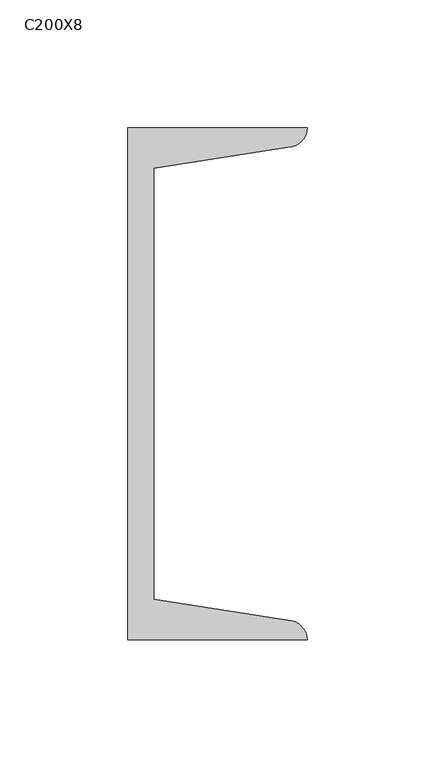
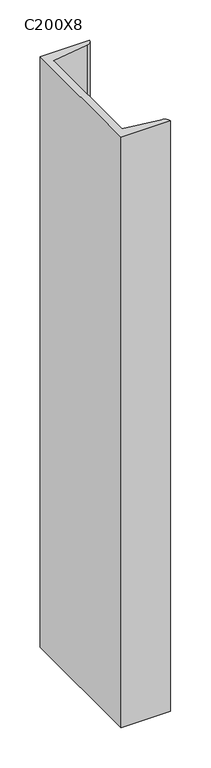
"""IFC4 building model written with IfcOpenShell, lengths in millimetres: column geometry, C200X8."""

from ifc_helpers import new_model, si_unit, point, frame, frame_2d, origin, place, context, project, spatial, polyline, circle_curve, trimmed, segment, composite_curve, outline, extrude, source, transform, mapped, element, save


def c200x8_19f21f3d(model_context):
    return source(origin(), model_context, "Body", "SweptSolid", [
        extrude(outline(composite_curve([segment(polyline([(5.0, -100.0), (5.0, 100.0), (75.0, 100.0)]), True, "CONTINUOUS"), segment(trimmed(circle_curve(frame_2d((67.5, 100.0)), 7.5), [point((75.0, 100.0))], [point((67.5, 92.5))], False, "CARTESIAN"), True, "CONTINUOUS"), segment(polyline([(67.5, 92.5), (15.0, 84.1848169), (15.0, -84.1848169), (67.5, -92.5)]), True, "CONTINUOUS"), segment(trimmed(circle_curve(frame_2d((67.5, -100.0)), 7.5), [point((67.5, -92.5))], [point((75.0, -100.0))], False, "CARTESIAN"), True, "CONTINUOUS"), segment(polyline([(75.0, -100.0), (5.0, -100.0)]), True, "CONTINUOUS")], self_intersect=False)), frame((0.0, 0.0, 9360.0), z_axis=(0.0, 0.0, 1.0), x_axis=(1.0, 0.0, 0.0)), (0.0, 0.0, 1.0), 890.0),
    ])


if __name__ == "__main__":
    model = new_model("IFC4")
    model_context = context("Model", 3, world=origin())
    ifc_project = project(units=[si_unit("LENGTHUNIT", "METRE", prefix="MILLI")], contexts=[model_context])
    site = spatial("IfcSite", under=ifc_project)
    building = spatial("IfcBuilding", under=site)
    placement = place(None, origin())
    c200x8_shape = c200x8_19f21f3d(model_context)
    element("IfcColumn", 1, ObjectType="C200X8", at=placement, inside=building, context=model_context, shape_type="MappedRepresentation", body=[
        mapped(c200x8_shape, transform((0.0, 0.0, 0.0), x_axis=(1.0, 0.0, 0.0), y_axis=(0.0, 1.0, 0.0), z_axis=(0.0, 0.0, 1.0))),
    ])
    save(model, "model.ifc")
